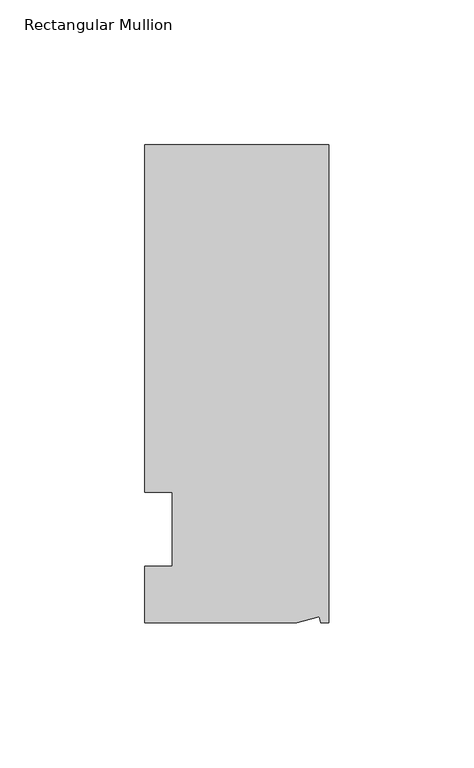
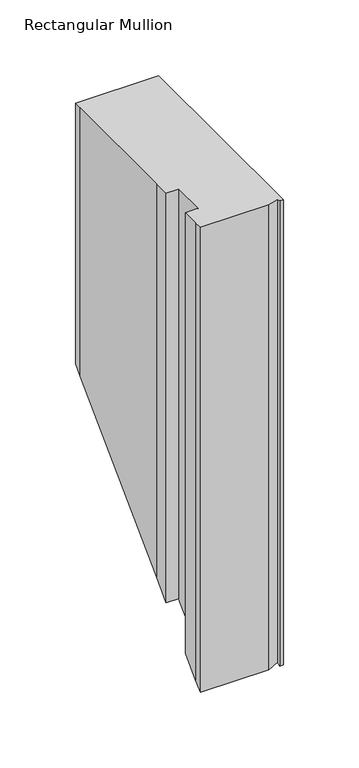
"""IFC4 building model written with IfcOpenShell, lengths in millimetres: member geometry, Rectangular Mullion."""

from ifc_helpers import new_model, si_unit, origin, place, context, project, spatial, faceted_brep, source, transform, mapped, element, save


def rectangular_mullion_6e170652(model_context):
    return source(origin(), model_context, "Body", "Brep", [
        faceted_brep([(-3.3457217, -17.5748952, 0.0), (-11.1265412, -19.6597595, 0.0), (-11.1265412, -19.6597595, -375.2597595), (-3.3457217, -17.5748952, -373.1748952), (-2.787084, -19.6597595, 0.0), (-2.787084, -19.6597595, -375.2597595), (0.0, -19.6597595, 0.0), (0.0, -19.6597595, -375.2597595), (0.0, 145.4402405, 0.0), (0.0, 145.4402405, -210.1597595), (-63.5, 145.4402405, 0.0), (-63.5, 145.4402405, -210.1597595), (-63.5, 38.3358837, 0.0), (-63.5, 139.0912246, 0.0), (-63.5, 139.0912246, -216.5087754), (-63.5, 38.3358837, -317.2641163), (-53.975, 25.4, 0.0), (-63.5, 25.4, 0.0), (-63.5, 25.4, -330.2), (-53.975, 25.4, -330.2), (-53.975, 0.0, 0.0), (-53.975, 0.0, -355.6), (-63.5, 0.0, 0.0), (-63.5, 0.0, -355.6), (-63.5, -13.6093403, 0.0), (-63.5, -13.6093403, -369.2093403), (-63.5, -19.6597595, 0.0), (-63.5, -19.6597595, -375.2597595)], [[[0, 1, 2, 3]], [[4, 0, 3, 5]], [[6, 4, 5, 7]], [[8, 6, 7, 9]], [[10, 8, 9, 11]], [[12, 13, 14, 15]], [[16, 17, 18, 19]], [[20, 16, 19, 21]], [[22, 20, 21, 23]], [[24, 22, 23, 25]], [[1, 26, 27, 2]], [[1, 0, 4, 6, 8, 10, 13, 12, 17, 16, 20, 22, 24, 26]], [[2, 27, 25, 23, 21, 19, 18, 15, 14, 11, 9, 7, 5, 3]], [[13, 10, 11, 14]], [[17, 12, 15, 18]], [[26, 24, 25, 27]]]),
    ])


if __name__ == "__main__":
    model = new_model("IFC4")
    model_context = context("Model", 3, world=origin())
    ifc_project = project(units=[si_unit("LENGTHUNIT", "METRE", prefix="MILLI")], contexts=[model_context])
    site = spatial("IfcSite", under=ifc_project)
    building = spatial("IfcBuilding", under=site)
    placement = place(None, origin())
    rectangular_mullion_shape = rectangular_mullion_6e170652(model_context)
    element("IfcMember", 1, ObjectType="Rectangular Mullion", at=placement, inside=building, context=model_context, shape_type="MappedRepresentation", body=[
        mapped(rectangular_mullion_shape, transform((0.0, 0.0, 0.0), x_axis=(1.0, 0.0, 0.0), y_axis=(0.0, 1.0, 0.0), z_axis=(0.0, 0.0, 1.0))),
    ])
    save(model, "model.ifc")
